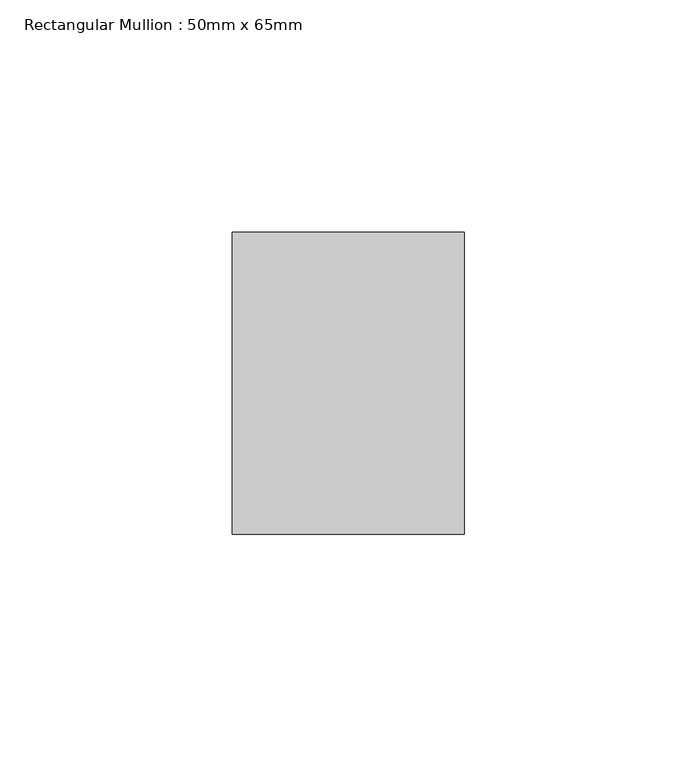
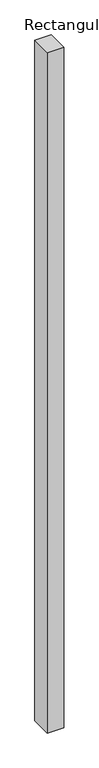
"""IFC4 building model written with IfcOpenShell, lengths in millimetres: member geometry, Rectangular Mullion : 50mm x 65mm."""

from ifc_helpers import new_model, si_unit, frame, origin, place, context, project, spatial, polyline, outline, extrude, source, transform, mapped, element, save


def rectangular_mullion_50mm_x_65mm_d34541b8(model_context):
    return source(origin(), model_context, "Body", "SweptSolid", [
        extrude(outline(polyline([(25.0, 32.5), (25.0, -32.5), (-25.0, -32.5), (-25.0, 32.5), (25.0, 32.5)])), frame((0.0, 0.0, -2186.9737605), z_axis=(0.0, 0.0, 1.0), x_axis=(1.0, 0.0, 0.0)), (0.0, 0.0, 1.0), 2186.9737605),
    ])


if __name__ == "__main__":
    model = new_model("IFC4")
    model_context = context("Model", 3, world=origin())
    ifc_project = project(units=[si_unit("LENGTHUNIT", "METRE", prefix="MILLI")], contexts=[model_context])
    site = spatial("IfcSite", under=ifc_project)
    building = spatial("IfcBuilding", under=site)
    placement = place(None, origin())
    rectangular_mullion_50mm_x_65mm_shape = rectangular_mullion_50mm_x_65mm_d34541b8(model_context)
    element("IfcMember", 1, ObjectType="Rectangular Mullion : 50mm x 65mm", at=placement, inside=building, context=model_context, shape_type="MappedRepresentation", body=[
        mapped(rectangular_mullion_50mm_x_65mm_shape, transform((0.0, 0.0, 0.0), x_axis=(1.0, 0.0, 0.0), y_axis=(0.0, 1.0, 0.0), z_axis=(0.0, 0.0, 1.0))),
    ])
    save(model, "model.ifc")
